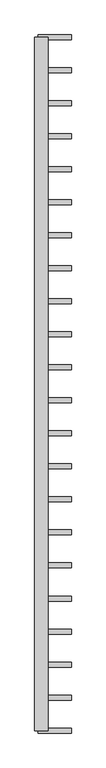
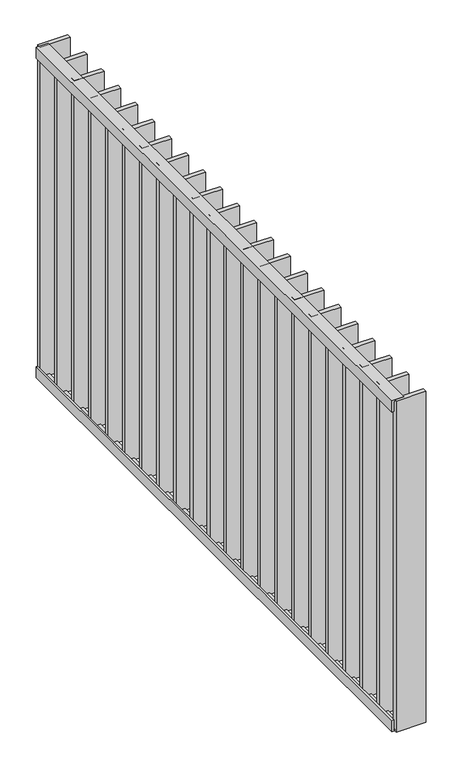
"""IFC4 building model written with IfcOpenShell, lengths in millimetres: railing geometry."""

import ifcopenshell
import ifcopenshell.guid

model = None  # the IFC model being written
_history = None  # IfcOwnerHistory: only IFC2X3 demands one
_inside = {}  # id of a spatial element -> (the spatial element, [elements in it])
_under = {}  # id of a project, library or spatial element -> (it, [spatial elements below it])
_declared = {}  # id of a project -> (the project, [libraries it declares])
_typed = {}  # id of a type object -> (the type object, [elements of that type])
_made_of = {}  # id of a material, layer set ... -> (it, [elements and type objects made of it])


def new_model(schema):
    """Start an empty IFC model of exactly this schema.

    Asked for "IFC4X3", IfcOpenShell would pick the latest addendum, in which some entities
    have other attributes; the version numbers below select the first issue.
    IFC2X3 requires an IfcOwnerHistory on every rooted entity: one is made here for all.
    """
    global model, _history
    if schema == "IFC4X3":
        model = ifcopenshell.file(schema_version=(4, 3, 0, 0))
    else:
        model = ifcopenshell.file(schema=schema)
    _inside.clear()
    _under.clear()
    _declared.clear()
    _typed.clear()
    _made_of.clear()
    _history = None
    if model.schema == "IFC2X3":
        org = make("IfcOrganization", Name="unknown")
        user = make(
            "IfcPersonAndOrganization",
            ThePerson=make("IfcPerson", FamilyName="unknown"),
            TheOrganization=org,
        )
        app = make(
            "IfcApplication",
            ApplicationDeveloper=org,
            Version="unknown",
            ApplicationFullName="unknown",
            ApplicationIdentifier="unknown",
        )
        _history = make(
            "IfcOwnerHistory",
            OwningUser=user,
            OwningApplication=app,
            ChangeAction="ADDED",
            CreationDate=0,
        )
    return model


def make(cls, **values):
    """One entity of the class cls with the attributes given. An attribute that is None is left unset."""
    return model.create_entity(
        cls, **{name: value for name, value in values.items() if value is not None}
    )


def rooted(cls, **values):
    """An entity with a GlobalId (a new one), such as an element, a storey or a relation."""
    return make(cls, GlobalId=ifcopenshell.guid.new(), OwnerHistory=_history, **values)


def si_unit(unit_type, name, prefix=None):
    """IfcSIUnit, for example si_unit("LENGTHUNIT", "METRE", prefix="MILLI")."""
    return make("IfcSIUnit", UnitType=unit_type, Prefix=prefix, Name=name)


def assignment(units):
    """IfcUnitAssignment: the units of a project."""
    return None if units is None else make("IfcUnitAssignment", Units=units)


def point(xyz):
    """IfcCartesianPoint."""
    return None if xyz is None else make("IfcCartesianPoint", Coordinates=xyz)


def direction(xyz):
    """IfcDirection."""
    return None if xyz is None else make("IfcDirection", DirectionRatios=xyz)


def frame(location, z_axis=None, x_axis=None):
    """IfcAxis2Placement3D, a coordinate frame: its origin and axes. An axis left out is left unset."""
    return make(
        "IfcAxis2Placement3D",
        Location=point(location),
        Axis=direction(z_axis),
        RefDirection=direction(x_axis),
    )


def origin():
    """The frame at (0, 0, 0) with its axes left unset."""
    return frame((0.0, 0.0, 0.0))


def place(relative_to, where):
    """IfcLocalPlacement: puts the frame where relative to a parent placement (None: the world)."""
    return make(
        "IfcLocalPlacement", PlacementRelTo=relative_to, RelativePlacement=where
    )


def context(
    kind, dimensions, precision=None, world=None, true_north=None, identifier=None
):
    """IfcGeometricRepresentationContext, for example the 3D "Model" context."""
    return make(
        "IfcGeometricRepresentationContext",
        ContextIdentifier=identifier,
        ContextType=kind,
        CoordinateSpaceDimension=dimensions,
        Precision=precision,
        WorldCoordinateSystem=world,
        TrueNorth=true_north,
    )


def project(units=None, contexts=None):
    """IfcProject with its units and contexts."""
    return rooted(
        "IfcProject",
        Name="project",
        RepresentationContexts=contexts,
        UnitsInContext=assignment(units),
    )


def spatial(cls, under=None, at=None, **own):
    """A site, building, storey or space (cls), placed at a placement, below another one or the project."""
    s = rooted(cls, ObjectPlacement=at, **own)
    if under is not None:
        _under.setdefault(under.id(), (under, []))[1].append(s)
    return s


def polyline(points):
    """IfcPolyline through the points."""
    return make("IfcPolyline", Points=[point(p) for p in points])


def outline(outer, holes=None, kind="AREA"):
    """IfcArbitraryClosedProfileDef: a profile drawn as a closed curve; with holes, ...WithVoids."""
    if holes is None:
        return make("IfcArbitraryClosedProfileDef", ProfileType=kind, OuterCurve=outer)
    return make(
        "IfcArbitraryProfileDefWithVoids",
        ProfileType=kind,
        OuterCurve=outer,
        InnerCurves=holes,
    )


def extrude(swept, where, along, depth):
    """IfcExtrudedAreaSolid: the profile swept, set in the frame where, extruded along a direction by depth."""
    return make(
        "IfcExtrudedAreaSolid",
        SweptArea=swept,
        Position=where,
        ExtrudedDirection=direction(along),
        Depth=depth,
    )


def shape(context_of_items, identifier, shape_type, items):
    """IfcShapeRepresentation: the items that make up one representation, for example the "Body"."""
    return make(
        "IfcShapeRepresentation",
        ContextOfItems=context_of_items,
        RepresentationIdentifier=identifier,
        RepresentationType=shape_type,
        Items=items,
    )


def source(mapping_origin, context_of_items, identifier, shape_type, items):
    """IfcRepresentationMap: a shape defined once, which mapped items show again and again."""
    return make(
        "IfcRepresentationMap",
        MappingOrigin=mapping_origin,
        MappedRepresentation=shape(context_of_items, identifier, shape_type, items),
    )


def transform(
    local_origin,
    x_axis=None,
    y_axis=None,
    z_axis=None,
    scale=None,
    scale2=None,
    scale3=None,
    uniform=True,
):
    """IfcCartesianTransformationOperator3D, or its non-uniform kind. x_axis, y_axis, z_axis: its Axis1, 2, 3."""
    if uniform:
        return make(
            "IfcCartesianTransformationOperator3D",
            Axis1=direction(x_axis),
            Axis2=direction(y_axis),
            LocalOrigin=point(local_origin),
            Scale=scale,
            Axis3=direction(z_axis),
        )
    return make(
        "IfcCartesianTransformationOperator3DnonUniform",
        Axis1=direction(x_axis),
        Axis2=direction(y_axis),
        LocalOrigin=point(local_origin),
        Scale=scale,
        Axis3=direction(z_axis),
        Scale2=scale2,
        Scale3=scale3,
    )


def mapped(mapping_source, mapping_target):
    """IfcMappedItem: shows the shape of a source again, moved by a transform."""
    return make(
        "IfcMappedItem", MappingSource=mapping_source, MappingTarget=mapping_target
    )


def made_of(thing, what):
    """Note that an element or type object is made of a material, layer set ...; save() writes the relation."""
    if what is not None:
        _made_of.setdefault(what.id(), (what, []))[1].append(thing)
    return thing


def element(
    cls,
    number,
    at=None,
    inside=None,
    cuts=None,
    type_object=None,
    material=None,
    context=None,
    identifier="Body",
    shape_type=None,
    held_by="IfcProductDefinitionShape",
    body=None,
    shapes=None,
    **own,
):
    """One element of the class cls, such as IfcWall. Its Tag is "e" and its number.

    at: its placement. inside: the storey or other place that contains it. cuts: it is an
    opening in that element (IfcRelVoidsElement). A single representation is given by context,
    identifier, shape_type and body (its items); several are given by shapes. held_by: the class
    of the entity that holds the representations. save() writes the other relations.
    """
    e = rooted(cls, Tag="e%d" % number, ObjectPlacement=at, **own)
    if body is not None:
        shapes = [shape(context, identifier, shape_type, body)]
    if shapes is not None:
        e.Representation = make(held_by, Representations=shapes)
    if inside is not None:
        _inside.setdefault(inside.id(), (inside, []))[1].append(e)
    if cuts is not None:
        rooted(
            "IfcRelVoidsElement", RelatingBuildingElement=cuts, RelatedOpeningElement=e
        )
    if type_object is not None:
        _typed.setdefault(type_object.id(), (type_object, []))[1].append(e)
    return made_of(e, material)


def aggregate(whole, parts):
    """IfcRelAggregates: a whole, such as a stair, and the parts it consists of."""
    return rooted("IfcRelAggregates", RelatingObject=whole, RelatedObjects=parts)


def save(model, path):
    """Write the relations noted so far, then the file.

    IfcRelAggregates (storeys below a building ...), IfcRelContainedInSpatialStructure (elements
    in a storey), IfcRelDefinesByType, IfcRelAssociatesMaterial and IfcRelDeclares: one each for
    every whole, place, type object, material and project.
    """
    for whole, parts in _under.values():
        aggregate(whole, parts)
    for where, things in _inside.values():
        rooted(
            "IfcRelContainedInSpatialStructure",
            RelatedElements=things,
            RelatingStructure=where,
        )
    for kind, things in _typed.values():
        rooted("IfcRelDefinesByType", RelatedObjects=things, RelatingType=kind)
    for what, things in _made_of.values():
        rooted("IfcRelAssociatesMaterial", RelatedObjects=things, RelatingMaterial=what)
    for by, libraries in _declared.values():
        rooted("IfcRelDeclares", RelatingContext=by, RelatedDefinitions=libraries)
    model.write(path)


def railing_ed683b74(model_context):
    return source(origin(), model_context, "Body", "SweptSolid", [
        extrude(outline(polyline([(7994.0, 68971.9325551), (7994.0, 69005.9325551), (8000.0, 69005.9325551), (8000.0, 68965.9325551), (7960.0, 68965.9325551), (7960.0, 68971.9325551), (7994.0, 68971.9325551)])), frame((0.0, 6109.4012767, 0.0), z_axis=(0.0, 1.0, 0.0), x_axis=(0.0, 0.0, 1.0)), (0.0, 0.0, 1.0), 2080.0),
        extrude(outline(polyline([(6826.0, 68971.9325551), (6860.0, 68971.9325551), (6860.0, 68965.9325551), (6820.0, 68965.9325551), (6820.0, 69005.9325551), (6826.0, 69005.9325551), (6826.0, 68971.9325551)])), frame((0.0, 6109.4012767, 0.0), z_axis=(0.0, 1.0, 0.0), x_axis=(0.0, 0.0, 1.0)), (0.0, 0.0, 1.0), 2080.0),
        extrude(outline(polyline([(68975.9325551, 8082.8536576), (68975.9325551, 8097.8536576), (69075.9325551, 8097.8536576), (69075.9325551, 8082.8536576), (68975.9325551, 8082.8536576)])), frame((0.0, 0.0, 6819.9), z_axis=(0.0, 0.0, 1.0), x_axis=(1.0, 0.0, 0.0)), (0.0, 0.0, 1.0), 1180.2),
        extrude(outline(polyline([(68975.9325551, 7983.8060386), (68975.9325551, 7998.8060386), (69075.9325551, 7998.8060386), (69075.9325551, 7983.8060386), (68975.9325551, 7983.8060386)])), frame((0.0, 0.0, 6819.9), z_axis=(0.0, 0.0, 1.0), x_axis=(1.0, 0.0, 0.0)), (0.0, 0.0, 1.0), 1180.2),
        extrude(outline(polyline([(68975.9325551, 7884.7584195), (68975.9325551, 7899.7584195), (69075.9325551, 7899.7584195), (69075.9325551, 7884.7584195), (68975.9325551, 7884.7584195)])), frame((0.0, 0.0, 6819.9), z_axis=(0.0, 0.0, 1.0), x_axis=(1.0, 0.0, 0.0)), (0.0, 0.0, 1.0), 1180.2),
        extrude(outline(polyline([(68975.9325551, 7785.7108005), (68975.9325551, 7800.7108005), (69075.9325551, 7800.7108005), (69075.9325551, 7785.7108005), (68975.9325551, 7785.7108005)])), frame((0.0, 0.0, 6819.9), z_axis=(0.0, 0.0, 1.0), x_axis=(1.0, 0.0, 0.0)), (0.0, 0.0, 1.0), 1180.2),
        extrude(outline(polyline([(68975.9325551, 7686.6631814), (68975.9325551, 7701.6631814), (69075.9325551, 7701.6631814), (69075.9325551, 7686.6631814), (68975.9325551, 7686.6631814)])), frame((0.0, 0.0, 6819.9), z_axis=(0.0, 0.0, 1.0), x_axis=(1.0, 0.0, 0.0)), (0.0, 0.0, 1.0), 1180.2),
        extrude(outline(polyline([(68975.9325551, 7587.6155624), (68975.9325551, 7602.6155624), (69075.9325551, 7602.6155624), (69075.9325551, 7587.6155624), (68975.9325551, 7587.6155624)])), frame((0.0, 0.0, 6819.9), z_axis=(0.0, 0.0, 1.0), x_axis=(1.0, 0.0, 0.0)), (0.0, 0.0, 1.0), 1180.2),
        extrude(outline(polyline([(68975.9325551, 7488.5679433), (68975.9325551, 7503.5679433), (69075.9325551, 7503.5679433), (69075.9325551, 7488.5679433), (68975.9325551, 7488.5679433)])), frame((0.0, 0.0, 6819.9), z_axis=(0.0, 0.0, 1.0), x_axis=(1.0, 0.0, 0.0)), (0.0, 0.0, 1.0), 1180.2),
        extrude(outline(polyline([(68975.9325551, 7389.5203243), (68975.9325551, 7404.5203243), (69075.9325551, 7404.5203243), (69075.9325551, 7389.5203243), (68975.9325551, 7389.5203243)])), frame((0.0, 0.0, 6819.9), z_axis=(0.0, 0.0, 1.0), x_axis=(1.0, 0.0, 0.0)), (0.0, 0.0, 1.0), 1180.2),
        extrude(outline(polyline([(68975.9325551, 7290.4727052), (68975.9325551, 7305.4727052), (69075.9325551, 7305.4727052), (69075.9325551, 7290.4727052), (68975.9325551, 7290.4727052)])), frame((0.0, 0.0, 6819.9), z_axis=(0.0, 0.0, 1.0), x_axis=(1.0, 0.0, 0.0)), (0.0, 0.0, 1.0), 1180.2),
        extrude(outline(polyline([(68975.9325551, 7191.4250862), (68975.9325551, 7206.4250862), (69075.9325551, 7206.4250862), (69075.9325551, 7191.4250862), (68975.9325551, 7191.4250862)])), frame((0.0, 0.0, 6819.9), z_axis=(0.0, 0.0, 1.0), x_axis=(1.0, 0.0, 0.0)), (0.0, 0.0, 1.0), 1180.2),
        extrude(outline(polyline([(68975.9325551, 7092.3774671), (68975.9325551, 7107.3774671), (69075.9325551, 7107.3774671), (69075.9325551, 7092.3774671), (68975.9325551, 7092.3774671)])), frame((0.0, 0.0, 6819.9), z_axis=(0.0, 0.0, 1.0), x_axis=(1.0, 0.0, 0.0)), (0.0, 0.0, 1.0), 1180.2),
        extrude(outline(polyline([(68975.9325551, 6993.3298481), (68975.9325551, 7008.3298481), (69075.9325551, 7008.3298481), (69075.9325551, 6993.3298481), (68975.9325551, 6993.3298481)])), frame((0.0, 0.0, 6819.9), z_axis=(0.0, 0.0, 1.0), x_axis=(1.0, 0.0, 0.0)), (0.0, 0.0, 1.0), 1180.2),
        extrude(outline(polyline([(68975.9325551, 6894.282229), (68975.9325551, 6909.282229), (69075.9325551, 6909.282229), (69075.9325551, 6894.282229), (68975.9325551, 6894.282229)])), frame((0.0, 0.0, 6819.9), z_axis=(0.0, 0.0, 1.0), x_axis=(1.0, 0.0, 0.0)), (0.0, 0.0, 1.0), 1180.2),
        extrude(outline(polyline([(68975.9325551, 6795.23461), (68975.9325551, 6810.23461), (69075.9325551, 6810.23461), (69075.9325551, 6795.23461), (68975.9325551, 6795.23461)])), frame((0.0, 0.0, 6819.9), z_axis=(0.0, 0.0, 1.0), x_axis=(1.0, 0.0, 0.0)), (0.0, 0.0, 1.0), 1180.2),
        extrude(outline(polyline([(68975.9325551, 6696.1869909), (68975.9325551, 6711.1869909), (69075.9325551, 6711.1869909), (69075.9325551, 6696.1869909), (68975.9325551, 6696.1869909)])), frame((0.0, 0.0, 6819.9), z_axis=(0.0, 0.0, 1.0), x_axis=(1.0, 0.0, 0.0)), (0.0, 0.0, 1.0), 1180.2),
        extrude(outline(polyline([(68975.9325551, 6597.1393719), (68975.9325551, 6612.1393719), (69075.9325551, 6612.1393719), (69075.9325551, 6597.1393719), (68975.9325551, 6597.1393719)])), frame((0.0, 0.0, 6819.9), z_axis=(0.0, 0.0, 1.0), x_axis=(1.0, 0.0, 0.0)), (0.0, 0.0, 1.0), 1180.2),
        extrude(outline(polyline([(68975.9325551, 6498.0917529), (68975.9325551, 6513.0917529), (69075.9325551, 6513.0917529), (69075.9325551, 6498.0917529), (68975.9325551, 6498.0917529)])), frame((0.0, 0.0, 6819.9), z_axis=(0.0, 0.0, 1.0), x_axis=(1.0, 0.0, 0.0)), (0.0, 0.0, 1.0), 1180.2),
        extrude(outline(polyline([(68975.9325551, 6399.0441338), (68975.9325551, 6414.0441338), (69075.9325551, 6414.0441338), (69075.9325551, 6399.0441338), (68975.9325551, 6399.0441338)])), frame((0.0, 0.0, 6819.9), z_axis=(0.0, 0.0, 1.0), x_axis=(1.0, 0.0, 0.0)), (0.0, 0.0, 1.0), 1180.2),
        extrude(outline(polyline([(68975.9325551, 6299.9965148), (68975.9325551, 6314.9965148), (69075.9325551, 6314.9965148), (69075.9325551, 6299.9965148), (68975.9325551, 6299.9965148)])), frame((0.0, 0.0, 6819.9), z_axis=(0.0, 0.0, 1.0), x_axis=(1.0, 0.0, 0.0)), (0.0, 0.0, 1.0), 1180.2),
        extrude(outline(polyline([(68975.9325551, 6200.9488957), (68975.9325551, 6215.9488957), (69075.9325551, 6215.9488957), (69075.9325551, 6200.9488957), (68975.9325551, 6200.9488957)])), frame((0.0, 0.0, 6819.9), z_axis=(0.0, 0.0, 1.0), x_axis=(1.0, 0.0, 0.0)), (0.0, 0.0, 1.0), 1180.2),
        extrude(outline(polyline([(68975.9325551, 8181.9012767), (68975.9325551, 8196.9012767), (69075.9325551, 8196.9012767), (69075.9325551, 8181.9012767), (68975.9325551, 8181.9012767)])), frame((0.0, 0.0, 6819.9), z_axis=(0.0, 0.0, 1.0), x_axis=(1.0, 0.0, 0.0)), (0.0, 0.0, 1.0), 1180.2),
        extrude(outline(polyline([(68975.9325551, 6101.9012767), (68975.9325551, 6116.9012767), (69075.9325551, 6116.9012767), (69075.9325551, 6101.9012767), (68975.9325551, 6101.9012767)])), frame((0.0, 0.0, 6819.9), z_axis=(0.0, 0.0, 1.0), x_axis=(1.0, 0.0, 0.0)), (0.0, 0.0, 1.0), 1180.2),
    ])


if __name__ == "__main__":
    model = new_model("IFC4")
    model_context = context("Model", 3, world=origin())
    ifc_project = project(units=[si_unit("LENGTHUNIT", "METRE", prefix="MILLI")], contexts=[model_context])
    site = spatial("IfcSite", under=ifc_project)
    building = spatial("IfcBuilding", under=site)
    placement = place(None, origin())
    railing_shape = railing_ed683b74(model_context)
    element("IfcRailing", 1, at=placement, inside=building, context=model_context, shape_type="MappedRepresentation", body=[
        mapped(railing_shape, transform((0.0, 0.0, 0.0), x_axis=(1.0, 0.0, 0.0), y_axis=(0.0, 1.0, 0.0), z_axis=(0.0, 0.0, 1.0))),
    ])
    save(model, "model.ifc")
